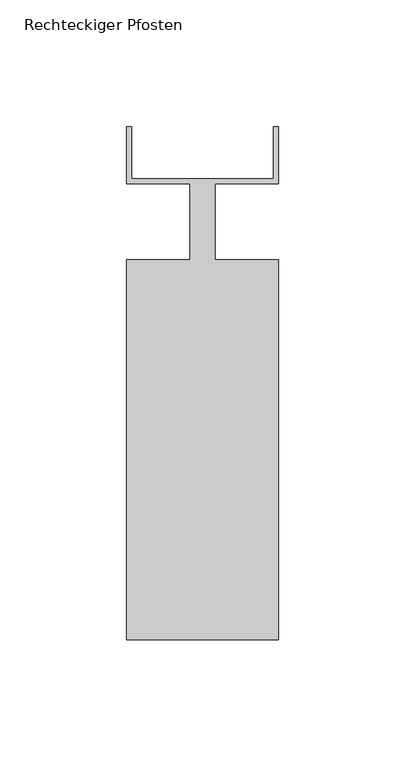
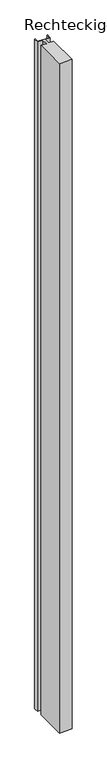
"""IFC4 building model written with IfcOpenShell, lengths in millimetres: member geometry, Rechteckiger Pfosten."""

import ifcopenshell
import ifcopenshell.guid

model = None  # the IFC model being written
_history = None  # IfcOwnerHistory: only IFC2X3 demands one
_inside = {}  # id of a spatial element -> (the spatial element, [elements in it])
_under = {}  # id of a project, library or spatial element -> (it, [spatial elements below it])
_declared = {}  # id of a project -> (the project, [libraries it declares])
_typed = {}  # id of a type object -> (the type object, [elements of that type])
_made_of = {}  # id of a material, layer set ... -> (it, [elements and type objects made of it])


def new_model(schema):
    """Start an empty IFC model of exactly this schema.

    Asked for "IFC4X3", IfcOpenShell would pick the latest addendum, in which some entities
    have other attributes; the version numbers below select the first issue.
    IFC2X3 requires an IfcOwnerHistory on every rooted entity: one is made here for all.
    """
    global model, _history
    if schema == "IFC4X3":
        model = ifcopenshell.file(schema_version=(4, 3, 0, 0))
    else:
        model = ifcopenshell.file(schema=schema)
    _inside.clear()
    _under.clear()
    _declared.clear()
    _typed.clear()
    _made_of.clear()
    _history = None
    if model.schema == "IFC2X3":
        org = make("IfcOrganization", Name="unknown")
        user = make(
            "IfcPersonAndOrganization",
            ThePerson=make("IfcPerson", FamilyName="unknown"),
            TheOrganization=org,
        )
        app = make(
            "IfcApplication",
            ApplicationDeveloper=org,
            Version="unknown",
            ApplicationFullName="unknown",
            ApplicationIdentifier="unknown",
        )
        _history = make(
            "IfcOwnerHistory",
            OwningUser=user,
            OwningApplication=app,
            ChangeAction="ADDED",
            CreationDate=0,
        )
    return model


def make(cls, **values):
    """One entity of the class cls with the attributes given. An attribute that is None is left unset."""
    return model.create_entity(
        cls, **{name: value for name, value in values.items() if value is not None}
    )


def rooted(cls, **values):
    """An entity with a GlobalId (a new one), such as an element, a storey or a relation."""
    return make(cls, GlobalId=ifcopenshell.guid.new(), OwnerHistory=_history, **values)


def si_unit(unit_type, name, prefix=None):
    """IfcSIUnit, for example si_unit("LENGTHUNIT", "METRE", prefix="MILLI")."""
    return make("IfcSIUnit", UnitType=unit_type, Prefix=prefix, Name=name)


def assignment(units):
    """IfcUnitAssignment: the units of a project."""
    return None if units is None else make("IfcUnitAssignment", Units=units)


def point(xyz):
    """IfcCartesianPoint."""
    return None if xyz is None else make("IfcCartesianPoint", Coordinates=xyz)


def direction(xyz):
    """IfcDirection."""
    return None if xyz is None else make("IfcDirection", DirectionRatios=xyz)


def frame(location, z_axis=None, x_axis=None):
    """IfcAxis2Placement3D, a coordinate frame: its origin and axes. An axis left out is left unset."""
    return make(
        "IfcAxis2Placement3D",
        Location=point(location),
        Axis=direction(z_axis),
        RefDirection=direction(x_axis),
    )


def origin():
    """The frame at (0, 0, 0) with its axes left unset."""
    return frame((0.0, 0.0, 0.0))


def place(relative_to, where):
    """IfcLocalPlacement: puts the frame where relative to a parent placement (None: the world)."""
    return make(
        "IfcLocalPlacement", PlacementRelTo=relative_to, RelativePlacement=where
    )


def context(
    kind, dimensions, precision=None, world=None, true_north=None, identifier=None
):
    """IfcGeometricRepresentationContext, for example the 3D "Model" context."""
    return make(
        "IfcGeometricRepresentationContext",
        ContextIdentifier=identifier,
        ContextType=kind,
        CoordinateSpaceDimension=dimensions,
        Precision=precision,
        WorldCoordinateSystem=world,
        TrueNorth=true_north,
    )


def project(units=None, contexts=None):
    """IfcProject with its units and contexts."""
    return rooted(
        "IfcProject",
        Name="project",
        RepresentationContexts=contexts,
        UnitsInContext=assignment(units),
    )


def spatial(cls, under=None, at=None, **own):
    """A site, building, storey or space (cls), placed at a placement, below another one or the project."""
    s = rooted(cls, ObjectPlacement=at, **own)
    if under is not None:
        _under.setdefault(under.id(), (under, []))[1].append(s)
    return s


def polyline(points):
    """IfcPolyline through the points."""
    return make("IfcPolyline", Points=[point(p) for p in points])


def outline(outer, holes=None, kind="AREA"):
    """IfcArbitraryClosedProfileDef: a profile drawn as a closed curve; with holes, ...WithVoids."""
    if holes is None:
        return make("IfcArbitraryClosedProfileDef", ProfileType=kind, OuterCurve=outer)
    return make(
        "IfcArbitraryProfileDefWithVoids",
        ProfileType=kind,
        OuterCurve=outer,
        InnerCurves=holes,
    )


def extrude(swept, where, along, depth):
    """IfcExtrudedAreaSolid: the profile swept, set in the frame where, extruded along a direction by depth."""
    return make(
        "IfcExtrudedAreaSolid",
        SweptArea=swept,
        Position=where,
        ExtrudedDirection=direction(along),
        Depth=depth,
    )


def shape(context_of_items, identifier, shape_type, items):
    """IfcShapeRepresentation: the items that make up one representation, for example the "Body"."""
    return make(
        "IfcShapeRepresentation",
        ContextOfItems=context_of_items,
        RepresentationIdentifier=identifier,
        RepresentationType=shape_type,
        Items=items,
    )


def source(mapping_origin, context_of_items, identifier, shape_type, items):
    """IfcRepresentationMap: a shape defined once, which mapped items show again and again."""
    return make(
        "IfcRepresentationMap",
        MappingOrigin=mapping_origin,
        MappedRepresentation=shape(context_of_items, identifier, shape_type, items),
    )


def transform(
    local_origin,
    x_axis=None,
    y_axis=None,
    z_axis=None,
    scale=None,
    scale2=None,
    scale3=None,
    uniform=True,
):
    """IfcCartesianTransformationOperator3D, or its non-uniform kind. x_axis, y_axis, z_axis: its Axis1, 2, 3."""
    if uniform:
        return make(
            "IfcCartesianTransformationOperator3D",
            Axis1=direction(x_axis),
            Axis2=direction(y_axis),
            LocalOrigin=point(local_origin),
            Scale=scale,
            Axis3=direction(z_axis),
        )
    return make(
        "IfcCartesianTransformationOperator3DnonUniform",
        Axis1=direction(x_axis),
        Axis2=direction(y_axis),
        LocalOrigin=point(local_origin),
        Scale=scale,
        Axis3=direction(z_axis),
        Scale2=scale2,
        Scale3=scale3,
    )


def mapped(mapping_source, mapping_target):
    """IfcMappedItem: shows the shape of a source again, moved by a transform."""
    return make(
        "IfcMappedItem", MappingSource=mapping_source, MappingTarget=mapping_target
    )


def made_of(thing, what):
    """Note that an element or type object is made of a material, layer set ...; save() writes the relation."""
    if what is not None:
        _made_of.setdefault(what.id(), (what, []))[1].append(thing)
    return thing


def element(
    cls,
    number,
    at=None,
    inside=None,
    cuts=None,
    type_object=None,
    material=None,
    context=None,
    identifier="Body",
    shape_type=None,
    held_by="IfcProductDefinitionShape",
    body=None,
    shapes=None,
    **own,
):
    """One element of the class cls, such as IfcWall. Its Tag is "e" and its number.

    at: its placement. inside: the storey or other place that contains it. cuts: it is an
    opening in that element (IfcRelVoidsElement). A single representation is given by context,
    identifier, shape_type and body (its items); several are given by shapes. held_by: the class
    of the entity that holds the representations. save() writes the other relations.
    """
    e = rooted(cls, Tag="e%d" % number, ObjectPlacement=at, **own)
    if body is not None:
        shapes = [shape(context, identifier, shape_type, body)]
    if shapes is not None:
        e.Representation = make(held_by, Representations=shapes)
    if inside is not None:
        _inside.setdefault(inside.id(), (inside, []))[1].append(e)
    if cuts is not None:
        rooted(
            "IfcRelVoidsElement", RelatingBuildingElement=cuts, RelatedOpeningElement=e
        )
    if type_object is not None:
        _typed.setdefault(type_object.id(), (type_object, []))[1].append(e)
    return made_of(e, material)


def aggregate(whole, parts):
    """IfcRelAggregates: a whole, such as a stair, and the parts it consists of."""
    return rooted("IfcRelAggregates", RelatingObject=whole, RelatedObjects=parts)


def save(model, path):
    """Write the relations noted so far, then the file.

    IfcRelAggregates (storeys below a building ...), IfcRelContainedInSpatialStructure (elements
    in a storey), IfcRelDefinesByType, IfcRelAssociatesMaterial and IfcRelDeclares: one each for
    every whole, place, type object, material and project.
    """
    for whole, parts in _under.values():
        aggregate(whole, parts)
    for where, things in _inside.values():
        rooted(
            "IfcRelContainedInSpatialStructure",
            RelatedElements=things,
            RelatingStructure=where,
        )
    for kind, things in _typed.values():
        rooted("IfcRelDefinesByType", RelatedObjects=things, RelatingType=kind)
    for what, things in _made_of.values():
        rooted("IfcRelAssociatesMaterial", RelatedObjects=things, RelatingMaterial=what)
    for by, libraries in _declared.values():
        rooted("IfcRelDeclares", RelatingContext=by, RelatedDefinitions=libraries)
    model.write(path)


def rechteckiger_pfosten_040df473(model_context):
    return source(origin(), model_context, "Body", "SweptSolid", [
        extrude(outline(polyline([(28.0, 37.5), (30.0, 37.5), (30.0, 15.0), (5.0, 15.0), (5.0, -15.0), (30.0, -15.0), (30.0, -165.0), (-30.0, -165.0), (-30.0, -15.0), (-5.0, -15.0), (-5.0, 15.0), (-30.0, 15.0), (-30.0, 37.5), (-28.0, 37.5), (-28.0, 17.0), (28.0, 17.0), (28.0, 37.5)])), frame((0.0, 0.0, -3360.0), z_axis=(0.0, 0.0, 1.0), x_axis=(1.0, 0.0, 0.0)), (0.0, 0.0, 1.0), 3360.0),
    ])


if __name__ == "__main__":
    model = new_model("IFC4")
    model_context = context("Model", 3, world=origin())
    ifc_project = project(units=[si_unit("LENGTHUNIT", "METRE", prefix="MILLI")], contexts=[model_context])
    site = spatial("IfcSite", under=ifc_project)
    building = spatial("IfcBuilding", under=site)
    placement = place(None, origin())
    rechteckiger_pfosten_shape = rechteckiger_pfosten_040df473(model_context)
    element("IfcMember", 1, ObjectType="Rechteckiger Pfosten", at=placement, inside=building, context=model_context, shape_type="MappedRepresentation", body=[
        mapped(rechteckiger_pfosten_shape, transform((0.0, 0.0, 0.0), x_axis=(1.0, 0.0, 0.0), y_axis=(0.0, 1.0, 0.0), z_axis=(0.0, 0.0, 1.0))),
    ])
    save(model, "model.ifc")
